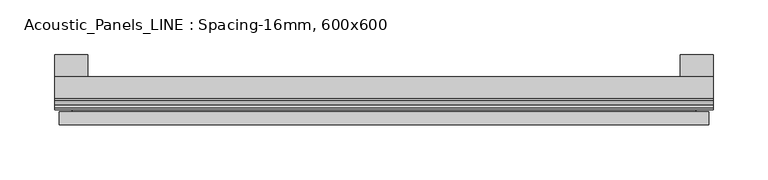
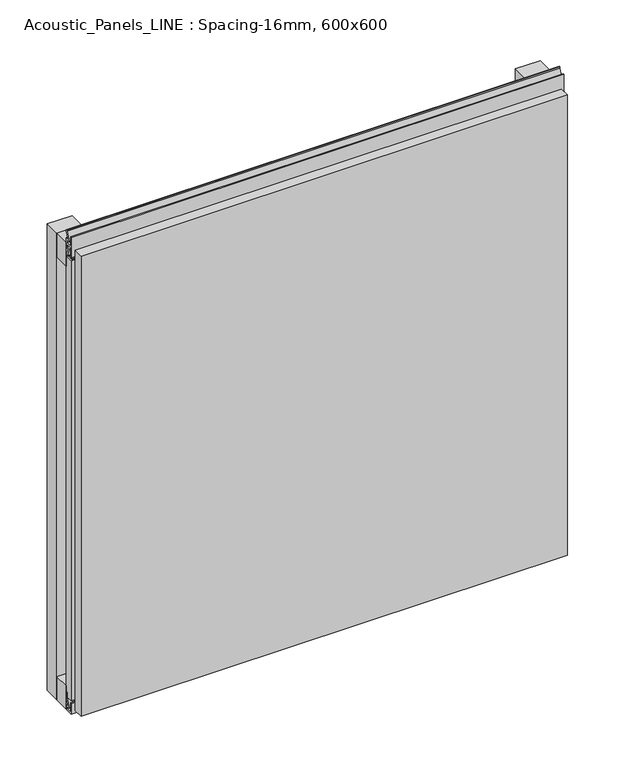
"""IFC4 building model written with IfcOpenShell, lengths in millimetres: plate geometry, Acoustic_Panels_LINE : Spacing-16mm, 600x600."""

from ifc_helpers import new_model, si_unit, frame, origin, origin_with_axes, place, context, project, spatial, polyline, outline, extrude, faceted_brep, source, transform, mapped, element, save


def acoustic_panels_line_spacing_16mm_600x600_9d876df5(model_context):
    return source(origin(), model_context, "Body", "SolidModel", [
        extrude(outline(polyline([(-300.0, -40.0), (-300.0, -20.0), (300.0, -20.0), (300.0, -40.0), (-300.0, -40.0)])), frame((0.0, 0.0, 570.0), z_axis=(0.0, 0.0, 1.0), x_axis=(1.0, 0.0, 0.0)), (0.0, 0.0, 1.0), 30.0),
        extrude(outline(polyline([(-300.0, -40.0), (-300.0, -20.0), (300.0, -20.0), (300.0, -40.0), (-300.0, -40.0)])), origin_with_axes(), (0.0, 0.0, 1.0), 30.0),
        extrude(outline(polyline([(270.0, 0.0), (300.0, 0.0), (300.0, -20.0), (270.0, -20.0), (270.0, 0.0)])), origin_with_axes(), (0.0, 0.0, 1.0), 600.0),
        extrude(outline(polyline([(-270.0, 0.0), (-270.0, -20.0), (-300.0, -20.0), (-300.0, 0.0), (-270.0, 0.0)])), origin_with_axes(), (0.0, 0.0, 1.0), 600.0),
        extrude(outline(polyline([(-40.0, 6.299084), (-40.0, 0.0), (-50.1, 0.0), (-50.1, 13.4156807), (-48.7, 13.4156807), (-48.7, 1.4156807), (-41.4, 1.4156807), (-41.4, 4.899084), (-45.5140545, 4.899084), (-41.4553267, 15.5703394), (-41.4553267, 22.991548), (-40.0553267, 22.991548), (-40.0553267, 15.3558599), (-43.5, 6.299084), (-40.0, 6.299084)])), frame((-300.0, 0.0, 0.0), z_axis=(1.0, 0.0, 0.0), x_axis=(0.0, 1.0, 0.0)), (0.0, 0.0, 1.0), 600.0),
        extrude(outline(polyline([(-293.700916, -40.0), (-293.700916, -43.5), (-284.6441401, -40.0553267), (-277.008452, -40.0553267), (-277.008452, -41.4553267), (-284.4296606, -41.4553267), (-295.100916, -45.5140545), (-295.100916, -41.4), (-298.5843193, -41.4), (-298.5843193, -48.7), (-286.5843193, -48.7), (-286.5843193, -50.1), (-300.0, -50.1), (-300.0, -40.0), (-293.700916, -40.0)])), frame((0.0, 0.0, 16.9558599), z_axis=(0.0, 0.0, 1.0), x_axis=(1.0, 0.0, 0.0)), (0.0, 0.0, 1.0), 566.0882802),
        extrude(outline(polyline([(-48.7, 600.899084), (-41.4, 600.899084), (-41.4, 604.899084), (-45.5140545, 604.899084), (-41.4553267, 615.5703394), (-41.4553267, 616.9558599), (-40.0553267, 616.9558599), (-40.0553267, 615.3558599), (-43.5, 606.299084), (-40.0, 606.299084), (-40.0, 593.700916), (-43.5, 593.700916), (-40.0553267, 584.6441401), (-40.0553267, 583.0441401), (-41.4553267, 583.0441401), (-41.4553267, 584.4296606), (-45.5140545, 595.100916), (-41.4, 595.100916), (-41.4, 599.100916), (-48.7, 599.100916), (-48.7, 587.100916), (-50.1, 587.100916), (-50.1, 612.899084), (-48.7, 612.899084), (-48.7, 600.899084)])), frame((-300.0, 0.0, 0.0), z_axis=(1.0, 0.0, 0.0), x_axis=(0.0, 1.0, 0.0)), (0.0, 0.0, 1.0), 600.0),
        faceted_brep([(296.0, -45.9, 596.0), (-296.0, -45.9, 596.0), (-296.0, -48.7, 596.0), (296.0, -48.7, 596.0), (-296.0, -63.9, 596.0), (296.0, -63.9, 596.0), (296.0, -51.9, 596.0), (-296.0, -51.9, 596.0), (-296.0, -45.9, 4.0), (296.0, -45.9, 4.0), (296.0, -48.7, 4.0), (-296.0, -48.7, 4.0), (296.0, -63.9, 4.0), (-296.0, -63.9, 4.0), (-296.0, -51.9, 4.0), (296.0, -51.9, 4.0), (284.0, -51.9, 584.0), (284.0, -51.9, 16.0), (284.0, -48.7, 16.0), (284.0, -48.7, 584.0), (-284.0, -51.9, 16.0), (-284.0, -48.7, 16.0), (-284.0, -51.9, 584.0), (-284.0, -48.7, 584.0)], [[[0, 1, 2, 3]], [[4, 5, 6, 7]], [[8, 9, 10, 11]], [[12, 13, 14, 15]], [[1, 0, 9, 8]], [[1, 8, 11, 2]], [[13, 4, 7, 14]], [[5, 4, 13, 12]], [[9, 0, 3, 10]], [[5, 12, 15, 6]], [[16, 17, 18, 19]], [[18, 17, 20, 21]], [[21, 20, 22, 23]], [[16, 19, 23, 22]], [[7, 6, 15, 14], [17, 16, 22, 20]], [[3, 2, 11, 10], [19, 18, 21, 23]]]),
    ])


if __name__ == "__main__":
    model = new_model("IFC4")
    model_context = context("Model", 3, world=origin())
    ifc_project = project(units=[si_unit("LENGTHUNIT", "METRE", prefix="MILLI")], contexts=[model_context])
    site = spatial("IfcSite", under=ifc_project)
    building = spatial("IfcBuilding", under=site)
    placement = place(None, origin())
    acoustic_panels_line_spacing_16mm_600x600_shape = acoustic_panels_line_spacing_16mm_600x600_9d876df5(model_context)
    element("IfcPlate", 1, ObjectType="Acoustic_Panels_LINE : Spacing-16mm, 600x600", at=placement, inside=building, context=model_context, shape_type="MappedRepresentation", body=[
        mapped(acoustic_panels_line_spacing_16mm_600x600_shape, transform((0.0, 0.0, 0.0), x_axis=(1.0, 0.0, 0.0), y_axis=(0.0, 1.0, 0.0), z_axis=(0.0, 0.0, 1.0))),
    ])
    save(model, "model.ifc")
